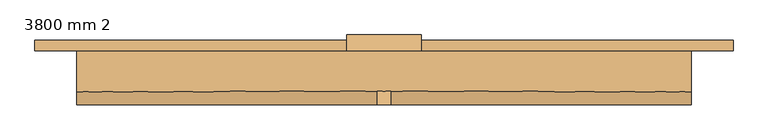
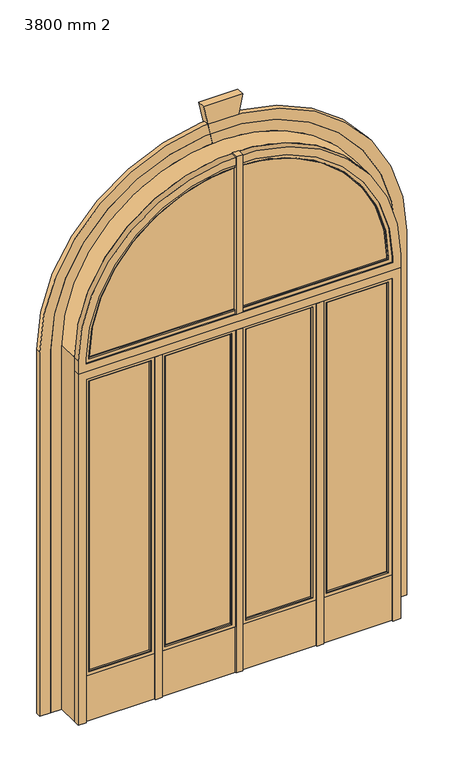
"""IFC4 building model written with IfcOpenShell, lengths in millimetres: door geometry, 3800 mm 2."""

from ifc_helpers import new_model, si_unit, point, frame, frame_2d, origin, origin_with_axes, place, context, project, spatial, polyline, circle_curve, trimmed, segment, composite_curve, outline, extrude, faceted_brep, source, transform, mapped, element, save
from ifc_brep_helpers import plane_surface, cylinder_surface, revolved_surface, advanced_brep


def door_3800_mm_2_8c423ba8(model_context):
    return source(origin(), model_context, "Body", "SolidModel", [
        faceted_brep([(55.0, 10.0, 380.0), (55.0, -10.0, 380.0), (532.5, -10.0, 380.0), (532.5, 10.0, 380.0), (532.5, -10.0, 2610.0), (532.5, 10.0, 2610.0), (537.5, -15.0, 375.0), (537.5, -15.0, 2615.0), (537.5, 15.0, 375.0), (537.5, 15.0, 2615.0), (25.0, -15.0, 350.0), (25.0, 15.0, 350.0), (562.5, 15.0, 350.0), (562.5, -15.0, 350.0), (562.5, 15.0, 2640.0), (562.5, -15.0, 2640.0), (25.0, 15.0, 2640.0), (50.0, 15.0, 2615.0), (50.0, 15.0, 375.0), (25.0, -15.0, 2640.0), (50.0, -15.0, 375.0), (50.0, -15.0, 2615.0), (55.0, 10.0, 2610.0), (55.0, -10.0, 2610.0)], [[[0, 1, 2, 3]], [[3, 2, 4, 5]], [[2, 6, 7, 4]], [[8, 3, 5, 9]], [[10, 11, 12, 13]], [[13, 12, 14, 15]], [[12, 11, 16, 14], [9, 17, 18, 8]], [[15, 19, 10, 13], [6, 20, 21, 7]], [[22, 23, 1, 0]], [[23, 21, 20, 1]], [[17, 22, 0, 18]], [[19, 16, 11, 10]], [[18, 0, 3, 8]], [[1, 20, 6, 2]], [[5, 4, 23, 22]], [[15, 14, 16, 19]], [[9, 5, 22, 17]], [[4, 7, 21, 23]]]),
        faceted_brep([(642.5, 10.0, 380.0), (642.5, -10.0, 380.0), (1085.0, -10.0, 380.0), (1085.0, 10.0, 380.0), (1085.0, -10.0, 2610.0), (1085.0, 10.0, 2610.0), (1090.0, -15.0, 375.0), (1090.0, -15.0, 2615.0), (1090.0, 15.0, 375.0), (1090.0, 15.0, 2615.0), (612.5, -15.0, 350.0), (612.5, 15.0, 350.0), (1115.0, 15.0, 350.0), (1115.0, -15.0, 350.0), (1115.0, 15.0, 2640.0), (1115.0, -15.0, 2640.0), (612.5, 15.0, 2640.0), (637.5, 15.0, 2615.0), (637.5, 15.0, 375.0), (612.5, -15.0, 2640.0), (637.5, -15.0, 375.0), (637.5, -15.0, 2615.0), (642.5, 10.0, 2610.0), (642.5, -10.0, 2610.0)], [[[0, 1, 2, 3]], [[3, 2, 4, 5]], [[2, 6, 7, 4]], [[8, 3, 5, 9]], [[10, 11, 12, 13]], [[13, 12, 14, 15]], [[12, 11, 16, 14], [9, 17, 18, 8]], [[15, 19, 10, 13], [6, 20, 21, 7]], [[22, 23, 1, 0]], [[23, 21, 20, 1]], [[17, 22, 0, 18]], [[19, 16, 11, 10]], [[18, 0, 3, 8]], [[1, 20, 6, 2]], [[5, 4, 23, 22]], [[15, 14, 16, 19]], [[9, 5, 22, 17]], [[4, 7, 21, 23]]]),
        extrude(outline(polyline([(-55.0, 2.0), (-55.0, 0.0), (-532.5, 0.0), (-532.5, 2.0), (-55.0, 2.0)])), frame((0.0, 0.0, 380.0), z_axis=(0.0, 0.0, 1.0), x_axis=(1.0, 0.0, 0.0)), (0.0, 0.0, 1.0), 2230.0),
        faceted_brep([(-55.0, -10.0, 380.0), (-55.0, 10.0, 380.0), (-532.5, 10.0, 380.0), (-532.5, -10.0, 380.0), (-532.5, 10.0, 2610.0), (-532.5, -10.0, 2610.0), (-537.5, 15.0, 375.0), (-537.5, 15.0, 2615.0), (-537.5, -15.0, 375.0), (-537.5, -15.0, 2615.0), (-25.0, 15.0, 350.0), (-25.0, -15.0, 350.0), (-562.5, -15.0, 350.0), (-562.5, 15.0, 350.0), (-562.5, -15.0, 2640.0), (-562.5, 15.0, 2640.0), (-25.0, -15.0, 2640.0), (-50.0, -15.0, 2615.0), (-50.0, -15.0, 375.0), (-25.0, 15.0, 2640.0), (-50.0, 15.0, 375.0), (-50.0, 15.0, 2615.0), (-55.0, -10.0, 2610.0), (-55.0, 10.0, 2610.0)], [[[0, 1, 2, 3]], [[3, 2, 4, 5]], [[2, 6, 7, 4]], [[8, 3, 5, 9]], [[10, 11, 12, 13]], [[13, 12, 14, 15]], [[12, 11, 16, 14], [9, 17, 18, 8]], [[15, 19, 10, 13], [6, 20, 21, 7]], [[22, 23, 1, 0]], [[23, 21, 20, 1]], [[17, 22, 0, 18]], [[19, 16, 11, 10]], [[1, 20, 6, 2]], [[18, 0, 3, 8]], [[5, 4, 23, 22]], [[15, 14, 16, 19]], [[4, 7, 21, 23]], [[9, 5, 22, 17]]]),
        extrude(outline(polyline([(-562.5, 25.0), (-562.5, -25.0), (-612.5, -25.0), (-612.5, 25.0), (-562.5, 25.0)])), origin_with_axes(), (0.0, 0.0, 1.0), 2640.0),
        extrude(outline(polyline([(612.5, 25.0), (612.5, -25.0), (562.5, -25.0), (562.5, 25.0), (612.5, 25.0)])), origin_with_axes(), (0.0, 0.0, 1.0), 2640.0),
        extrude(outline(composite_curve([segment(polyline([(0.0, 1255.0), (0.0, 1335.0), (2800.0, 1335.0)]), True, "CONTINUOUS"), segment(trimmed(circle_curve(frame_2d((2800.0, 0.0)), 1335.0), [point((2800.0, 1335.0))], [point((2800.0, -1335.0))], False, "CARTESIAN"), True, "CONTINUOUS"), segment(polyline([(2800.0, -1335.0), (0.0, -1335.0), (0.0, -1255.0), (2800.0, -1255.0)]), True, "CONTINUOUS"), segment(trimmed(circle_curve(frame_2d((2800.0, 0.0)), 1255.0), [point((2800.0, -1255.0))], [point((2800.0, 1255.0))], True, "CARTESIAN"), True, "CONTINUOUS"), segment(polyline([(2800.0, 1255.0), (0.0, 1255.0)]), True, "CONTINUOUS")], self_intersect=False)), frame((0.0, 181.0, 0.0), z_axis=(0.0, 1.0, 0.0), x_axis=(0.0, 0.0, 1.0)), (0.0, 0.0, 1.0), 40.0),
        extrude(outline(polyline([(-642.5, 2.0), (-642.5, 0.0), (-1085.0, 0.0), (-1085.0, 2.0), (-642.5, 2.0)])), frame((0.0, 0.0, 380.0), z_axis=(0.0, 0.0, 1.0), x_axis=(1.0, 0.0, 0.0)), (0.0, 0.0, 1.0), 2230.0),
        extrude(outline(polyline([(1085.0, 0.0), (55.0, 0.0), (55.0, 2.0), (1085.0, 2.0), (1085.0, 0.0)])), frame((0.0, 0.0, 380.0), z_axis=(0.0, 0.0, 1.0), x_axis=(1.0, 0.0, 0.0)), (0.0, 0.0, 1.0), 2260.0),
        advanced_brep(
        [(1155.0, 201.0, 0.0), (1255.0, 201.0, 0.0), (1255.0, 181.0, 0.0), (1175.0, 181.0, 0.0), (1175.0, 25.0, 0.0), (1155.0, 25.0, 0.0), (1155.0, 201.0, 2800.0), (-1155.0, 201.0, 2800.0), (-1155.0, 201.0, 0.0), (-1255.0, 201.0, 0.0), (-1255.0, 201.0, 2800.0), (1255.0, 201.0, 2800.0), (1255.0, 181.0, 2800.0), (-1255.0, 181.0, 2800.0), (-1255.0, 181.0, 0.0), (-1175.0, 181.0, 0.0), (-1175.0, 181.0, 2800.0), (1175.0, 181.0, 2800.0), (1175.0, 25.0, 2800.0), (-1175.0, 25.0, 2800.0), (-1175.0, 25.0, 0.0), (-1155.0, 25.0, 0.0), (-1155.0, 25.0, 2800.0), (1155.0, 25.0, 2800.0)],
        [
            (0, 1),
            (1, 2),
            (2, 3),
            (3, 4),
            (4, 5),
            (5, 0),
            (0, 6),
            (6, 7, circle_curve(frame((0.0, 201.0, 2800.0), z_axis=(0.0, -1.0, 0.0), x_axis=(1.0, 0.0, 0.0)), 1155.0)),
            (7, 8),
            (8, 9),
            (9, 10),
            (10, 11, circle_curve(frame((0.0, 201.0, 2800.0), z_axis=(0.0, 1.0, 0.0), x_axis=(1.0, 0.0, 0.0)), 1255.0)),
            (11, 1),
            (11, 12),
            (12, 2),
            (12, 13, circle_curve(frame((0.0, 181.0, 2800.0), z_axis=(0.0, -1.0, 0.0), x_axis=(1.0, 0.0, 0.0)), 1255.0)),
            (13, 14),
            (14, 15),
            (15, 16),
            (16, 17, circle_curve(frame((0.0, 181.0, 2800.0), z_axis=(0.0, 1.0, 0.0), x_axis=(1.0, 0.0, 0.0)), 1175.0)),
            (17, 3),
            (17, 18),
            (18, 4),
            (18, 19, circle_curve(frame((0.0, 25.0, 2800.0), z_axis=(0.0, -1.0, 0.0), x_axis=(1.0, 0.0, 0.0)), 1175.0)),
            (19, 20),
            (20, 21),
            (21, 22),
            (22, 23, circle_curve(frame((0.0, 25.0, 2800.0), z_axis=(0.0, 1.0, 0.0), x_axis=(1.0, 0.0, 0.0)), 1155.0)),
            (23, 5),
            (23, 6),
            (7, 22),
            (21, 8),
            (20, 15),
            (14, 9),
            (13, 10),
            (19, 16),
        ],
        [
            plane_surface(frame((1175.0, 0.0, 0.0), z_axis=(0.0, 0.0, -1.0), x_axis=(0.0, -1.0, 0.0))),
            plane_surface(frame((1155.0, 201.0, 0.0), z_axis=(0.0, 1.0, 0.0), x_axis=(0.0, 0.0, 1.0))),
            plane_surface(frame((1255.0, 201.0, 0.0), z_axis=(1.0, 0.0, 0.0), x_axis=(0.0, 0.0, 1.0))),
            plane_surface(frame((1255.0, 181.0, 0.0), z_axis=(0.0, -1.0, 0.0), x_axis=(0.0, 0.0, 1.0))),
            plane_surface(frame((1175.0, 181.0, 0.0), z_axis=(1.0, 0.0, 0.0), x_axis=(0.0, 0.0, 1.0))),
            plane_surface(frame((1175.0, 25.0, 0.0), z_axis=(0.0, -1.0, 0.0), x_axis=(0.0, 0.0, 1.0))),
            plane_surface(frame((1155.0, 25.0, 0.0), z_axis=(-1.0, 0.0, 0.0), x_axis=(0.0, 0.0, 1.0))),
            plane_surface(frame((-1155.0, 25.0, 2800.0), z_axis=(1.0, 0.0, 0.0), x_axis=(0.0, 0.0, -1.0))),
            plane_surface(frame((-1175.0, 0.0, 0.0), z_axis=(0.0, 0.0, -1.0), x_axis=(0.0, -1.0, 0.0))),
            plane_surface(frame((-1255.0, 201.0, 2800.0), z_axis=(-1.0, 0.0, 0.0), x_axis=(0.0, 0.0, -1.0))),
            plane_surface(frame((-1175.0, 181.0, 2800.0), z_axis=(-1.0, 0.0, 0.0), x_axis=(0.0, 0.0, -1.0))),
            revolved_surface(polyline([(1155.0, 25.0, 2800.0), (1155.0, 201.0, 2800.0)]), (0.0, 0.0, 2800.0), (0.0, -1.0, 0.0)),
            cylinder_surface(frame((0.0, 0.0, 2800.0), z_axis=(0.0, -1.0, 0.0), x_axis=(1.0, 0.0, 0.0)), 1255.0),
            cylinder_surface(frame((0.0, 0.0, 2800.0), z_axis=(0.0, -1.0, 0.0), x_axis=(1.0, 0.0, 0.0)), 1175.0),
        ],
        [
            (0, [[1, 2, 3, 4, 5, 6]]),
            (1, [[-1, 7, 8, 9, 10, 11, 12, 13]]),
            (2, [[-2, -13, 14, 15]]),
            (3, [[-3, -15, 16, 17, 18, 19, 20, 21]]),
            (4, [[-4, -21, 22, 23]]),
            (5, [[-5, -23, 24, 25, 26, 27, 28, 29]]),
            (6, [[-7, -6, -29, 30]]),
            (7, [[-9, 31, -27, 32]]),
            (8, [[-32, -26, 33, -18, 34, -10]]),
            (9, [[-17, 35, -11, -34]]),
            (10, [[-25, 36, -19, -33]]),
            (11, [[-8, -30, -28, -31]]),
            (12, [[-16, -14, -12, -35]]),
            (13, [[-24, -22, -20, -36]]),
        ],
    ),
        extrude(outline(polyline([(25.0, 25.0), (25.0, -25.0), (-25.0, -25.0), (-25.0, 25.0), (25.0, 25.0)])), origin_with_axes(), (0.0, 0.0, 1.0), 2640.0),
        faceted_brep([(-642.5, -10.0, 380.0), (-642.5, 10.0, 380.0), (-1085.0, 10.0, 380.0), (-1085.0, -10.0, 380.0), (-1085.0, 10.0, 2610.0), (-1085.0, -10.0, 2610.0), (-1090.0, 15.0, 375.0), (-1090.0, 15.0, 2615.0), (-1090.0, -15.0, 375.0), (-1090.0, -15.0, 2615.0), (-612.5, 15.0, 350.0), (-612.5, -15.0, 350.0), (-1115.0, -15.0, 350.0), (-1115.0, 15.0, 350.0), (-1115.0, -15.0, 2640.0), (-1115.0, 15.0, 2640.0), (-612.5, -15.0, 2640.0), (-637.5, -15.0, 2615.0), (-637.5, -15.0, 375.0), (-612.5, 15.0, 2640.0), (-637.5, 15.0, 375.0), (-637.5, 15.0, 2615.0), (-642.5, -10.0, 2610.0), (-642.5, 10.0, 2610.0)], [[[0, 1, 2, 3]], [[3, 2, 4, 5]], [[2, 6, 7, 4]], [[8, 3, 5, 9]], [[10, 11, 12, 13]], [[13, 12, 14, 15]], [[12, 11, 16, 14], [9, 17, 18, 8]], [[15, 19, 10, 13], [6, 20, 21, 7]], [[22, 23, 1, 0]], [[23, 21, 20, 1]], [[17, 22, 0, 18]], [[19, 16, 11, 10]], [[1, 20, 6, 2]], [[18, 0, 3, 8]], [[5, 4, 23, 22]], [[15, 14, 16, 19]], [[4, 7, 21, 23]], [[9, 5, 22, 17]]]),
        extrude(outline(polyline([(0.0, -1175.0), (0.0, -1115.0), (2640.0, -1115.0), (2640.0, 1115.0), (0.0, 1115.0), (0.0, 1175.0), (2700.0, 1175.0), (2700.0, -1175.0), (0.0, -1175.0)])), frame((0.0, -25.0, 0.0), z_axis=(0.0, 1.0, 0.0), x_axis=(0.0, 0.0, 1.0)), (0.0, 0.0, 1.0), 50.0),
        extrude(outline(polyline([(-612.5, 15.0), (-612.5, -15.0), (-1115.0, -15.0), (-1115.0, 15.0), (-612.5, 15.0)])), origin_with_axes(), (0.0, 0.0, 1.0), 350.0),
        extrude(outline(polyline([(-25.0, 15.0), (-25.0, -15.0), (-562.5, -15.0), (-562.5, 15.0), (-25.0, 15.0)])), origin_with_axes(), (0.0, 0.0, 1.0), 350.0),
        extrude(outline(polyline([(562.5, 15.0), (562.5, -15.0), (25.0, -15.0), (25.0, 15.0), (562.5, 15.0)])), origin_with_axes(), (0.0, 0.0, 1.0), 350.0),
        extrude(outline(polyline([(1115.0, 15.0), (1115.0, -15.0), (612.5, -15.0), (612.5, 15.0), (1115.0, 15.0)])), origin_with_axes(), (0.0, 0.0, 1.0), 350.0),
        extrude(outline(polyline([(25.0, 25.0), (25.0, -25.0), (-25.0, -25.0), (-25.0, 25.0), (25.0, 25.0)])), frame((0.0, 0.0, 2760.0), z_axis=(0.0, 0.0, 1.0), x_axis=(1.0, 0.0, 0.0)), (0.0, 0.0, 1.0), 1215.0),
        extrude(outline(polyline([(3975.0, -80.0), (3975.0, 80.0), (4275.0, 141.7144432), (4275.0, -141.7144432), (3975.0, -80.0)])), frame((0.0, 181.0, 0.0), z_axis=(0.0, 1.0, 0.0), x_axis=(0.0, 0.0, 1.0)), (0.0, 0.0, 1.0), 60.3304776),
        extrude(outline(composite_curve([segment(polyline([(2790.0, -1085.0), (2790.0, 1085.0), (2800.0, 1085.0)]), True, "CONTINUOUS"), segment(trimmed(circle_curve(frame_2d((2800.0, 0.0)), 1085.0), [point((2800.0, 1085.0))], [point((2800.0, -1085.0))], False, "CARTESIAN"), True, "CONTINUOUS"), segment(polyline([(2800.0, -1085.0), (2790.0, -1085.0)]), True, "CONTINUOUS")], self_intersect=False)), frame((0.0, 0.0, 0.0), z_axis=(0.0, 1.0, 0.0), x_axis=(0.0, 0.0, 1.0)), (0.0, 0.0, 1.0), 2.0),
        advanced_brep(
        [(1085.0, -10.0, 2800.0), (-1085.0, -10.0, 2800.0), (-1085.0, 10.0, 2800.0), (1085.0, 10.0, 2800.0), (-1090.0, 15.0, 2800.0), (1090.0, 15.0, 2800.0), (1115.0, 15.0, 2800.0), (1115.0, 15.0, 2760.0), (-1115.0, 15.0, 2760.0), (-1115.0, 15.0, 2800.0), (-1090.0, 15.0, 2785.0), (1090.0, 15.0, 2785.0), (1090.0, -15.0, 2800.0), (-1090.0, -15.0, 2800.0), (-1115.0, -15.0, 2800.0), (-1115.0, -15.0, 2760.0), (1115.0, -15.0, 2760.0), (1115.0, -15.0, 2800.0), (1090.0, -15.0, 2785.0), (-1090.0, -15.0, 2785.0), (1085.0, 10.0, 2790.0), (1085.0, -10.0, 2790.0), (-1085.0, 10.0, 2790.0), (-1085.0, -10.0, 2790.0)],
        [
            (0, 1, circle_curve(frame((0.0, -10.0, 2800.0), z_axis=(0.0, -1.0, 0.0), x_axis=(-1.0, 0.0, 0.0)), 1085.0)),
            (1, 2),
            (2, 3, circle_curve(frame((0.0, 10.0, 2800.0), z_axis=(0.0, 1.0, 0.0), x_axis=(-1.0, 0.0, 0.0)), 1085.0)),
            (3, 0),
            (2, 4),
            (4, 5, circle_curve(frame((0.0, 15.0, 2800.0), z_axis=(0.0, 1.0, 0.0), x_axis=(-1.0, 0.0, 0.0)), 1090.0)),
            (5, 3),
            (6, 7),
            (7, 8),
            (8, 9),
            (9, 6, circle_curve(frame((0.0, 15.0, 2800.0), z_axis=(0.0, 1.0, 0.0), x_axis=(-1.0, 0.0, 0.0)), 1115.0)),
            (4, 10),
            (10, 11),
            (11, 5),
            (12, 13, circle_curve(frame((0.0, -15.0, 2800.0), z_axis=(0.0, -1.0, 0.0), x_axis=(-1.0, 0.0, 0.0)), 1090.0)),
            (13, 1),
            (0, 12),
            (14, 15),
            (15, 16),
            (16, 17),
            (17, 14, circle_curve(frame((0.0, -15.0, 2800.0), z_axis=(0.0, -1.0, 0.0), x_axis=(-1.0, 0.0, 0.0)), 1115.0)),
            (12, 18),
            (18, 19),
            (19, 13),
            (9, 14),
            (17, 6),
            (11, 20),
            (20, 3),
            (20, 21),
            (21, 0),
            (21, 18),
            (16, 7),
            (10, 22),
            (22, 20),
            (22, 23),
            (23, 21),
            (23, 19),
            (15, 8),
            (2, 22),
            (1, 23),
        ],
        [
            revolved_surface(polyline([(-1085.0, 10.0, 2800.0), (-1085.0, -10.0, 2800.0)]), (0.0, 0.0, 2800.0), (0.0, 1.0, 0.0)),
            revolved_surface(polyline([(-1090.0, 15.0, 2800.0), (-1085.0, 10.0, 2800.0)]), (0.0, 0.0, 2800.0), (0.0, 1.0, 0.0)),
            plane_surface(frame((-1115.0, 15.0, 2760.0), z_axis=(0.0, 1.0, 0.0), x_axis=(0.0, 0.0, 1.0))),
            revolved_surface(polyline([(-1085.0, -10.0, 2800.0), (-1090.0, -15.0, 2800.0)]), (0.0, 0.0, 2800.0), (0.0, 1.0, 0.0)),
            plane_surface(frame((-1090.0, -15.0, 2785.0), z_axis=(0.0, -1.0, 0.0), x_axis=(0.0, 0.0, 1.0))),
            cylinder_surface(frame((0.0, 0.0, 2800.0), z_axis=(0.0, 1.0, 0.0), x_axis=(-1.0, 0.0, 0.0)), 1115.0),
            plane_surface(frame((1090.0, 15.0, 2800.0), z_axis=(-0.7071067811865476, 0.7071067811865476, 0.0), x_axis=(0.0, 0.0, -1.0))),
            plane_surface(frame((1085.0, 10.0, 2800.0), z_axis=(-1.0, 0.0, 0.0), x_axis=(0.0, 0.0, -1.0))),
            plane_surface(frame((1085.0, -10.0, 2800.0), z_axis=(-0.7071067811865557, -0.7071067811865395, 0.0), x_axis=(0.0, 0.0, -1.0))),
            plane_surface(frame((1115.0, -15.0, 2800.0), z_axis=(1.0, 0.0, 0.0), x_axis=(0.0, 0.0, -1.0))),
            plane_surface(frame((1090.0, 15.0, 2785.0), z_axis=(0.0, 0.7071067811865476, 0.7071067811865476), x_axis=(-1.0, 0.0, 0.0))),
            plane_surface(frame((1085.0, 10.0, 2790.0), z_axis=(0.0, 0.0, 1.0), x_axis=(-1.0, 0.0, 0.0))),
            plane_surface(frame((1085.0, -10.0, 2790.0), z_axis=(0.0, -0.7071067811865395, 0.7071067811865557), x_axis=(-1.0, 0.0, 0.0))),
            plane_surface(frame((1115.0, -15.0, 2760.0), z_axis=(0.0, 0.0, -1.0), x_axis=(-1.0, 0.0, 0.0))),
            plane_surface(frame((-1090.0, 15.0, 2785.0), z_axis=(0.7071067811865476, 0.7071067811865476, 0.0), x_axis=(0.0, 0.0, 1.0))),
            plane_surface(frame((-1085.0, 10.0, 2790.0), z_axis=(1.0, 0.0, 0.0), x_axis=(0.0, 0.0, 1.0))),
            plane_surface(frame((-1085.0, -10.0, 2790.0), z_axis=(0.7071067811865557, -0.7071067811865395, 0.0), x_axis=(0.0, 0.0, 1.0))),
            plane_surface(frame((-1115.0, -15.0, 2760.0), z_axis=(-1.0, 0.0, 0.0), x_axis=(0.0, 0.0, 1.0))),
        ],
        [
            (0, [[1, 2, 3, 4]]),
            (1, [[-3, 5, 6, 7]]),
            (2, [[8, 9, 10, 11], [12, 13, 14, -6]]),
            (3, [[15, 16, -1, 17]]),
            (4, [[18, 19, 20, 21], [22, 23, 24, -15]]),
            (5, [[-11, 25, -21, 26]]),
            (6, [[-7, -14, 27, 28]]),
            (7, [[-4, -28, 29, 30]]),
            (8, [[-17, -30, 31, -22]]),
            (9, [[-26, -20, 32, -8]]),
            (10, [[-27, -13, 33, 34]]),
            (11, [[-29, -34, 35, 36]]),
            (12, [[-31, -36, 37, -23]]),
            (13, [[-32, -19, 38, -9]]),
            (14, [[-33, -12, -5, 39]]),
            (15, [[-35, -39, -2, 40]]),
            (16, [[-37, -40, -16, -24]]),
            (17, [[-38, -18, -25, -10]]),
        ],
    ),
        extrude(outline(composite_curve([segment(polyline([(2700.0, -1175.0), (2700.0, 1175.0), (2800.0, 1175.0)]), True, "CONTINUOUS"), segment(trimmed(circle_curve(frame_2d((2800.0, 0.0)), 1175.0), [point((2800.0, 1175.0))], [point((2800.0, -1175.0))], False, "CARTESIAN"), True, "CONTINUOUS"), segment(polyline([(2800.0, -1175.0), (2700.0, -1175.0)]), True, "CONTINUOUS")], self_intersect=False), holes=[composite_curve([segment(trimmed(circle_curve(frame_2d((2800.0, 0.0)), 1115.0), [point((2800.0, -1115.0))], [point((2800.0, 1115.0))], True, "CARTESIAN"), True, "CONTINUOUS"), segment(polyline([(2800.0, 1115.0), (2760.0, 1115.0), (2760.0, -1115.0), (2800.0, -1115.0)]), True, "CONTINUOUS")], self_intersect=False)]), frame((0.0, -25.0, 0.0), z_axis=(0.0, 1.0, 0.0), x_axis=(0.0, 0.0, 1.0)), (0.0, 0.0, 1.0), 50.0),
    ])


if __name__ == "__main__":
    model = new_model("IFC4")
    model_context = context("Model", 3, world=origin())
    ifc_project = project(units=[si_unit("LENGTHUNIT", "METRE", prefix="MILLI")], contexts=[model_context])
    site = spatial("IfcSite", under=ifc_project)
    building = spatial("IfcBuilding", under=site)
    placement = place(None, origin())
    door_3800_mm_2_shape = door_3800_mm_2_8c423ba8(model_context)
    element("IfcDoor", 1, ObjectType="3800 mm 2", at=placement, inside=building, context=model_context, shape_type="MappedRepresentation", body=[
        mapped(door_3800_mm_2_shape, transform((0.0, 0.0, 0.0), x_axis=(1.0, 0.0, 0.0), y_axis=(0.0, 1.0, 0.0), z_axis=(0.0, 0.0, 1.0))),
    ])
    save(model, "model.ifc")
